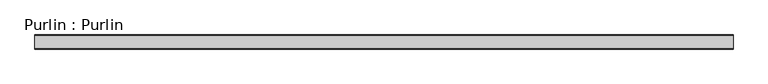
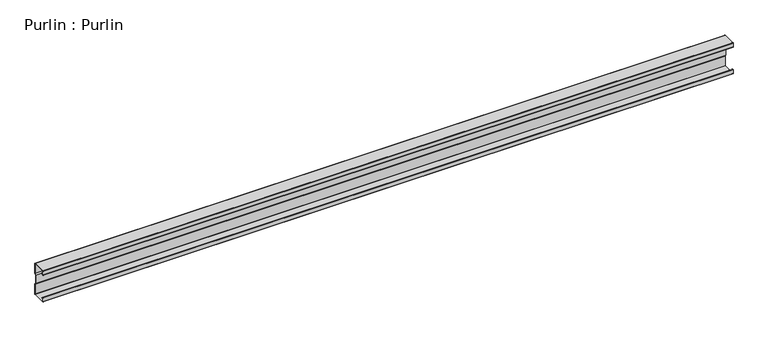
"""IFC4 building model written with IfcOpenShell, lengths in millimetres: beam geometry, Purlin : Purlin."""

from ifc_helpers import new_model, si_unit, point, frame, frame_2d, origin, place, context, project, spatial, polyline, circle_curve, trimmed, segment, composite_curve, outline, extrude, source, transform, mapped, element, save


def purlin_purlin_466a0f04(model_context):
    return source(origin(), model_context, "Body", "SweptSolid", [
        extrude(outline(composite_curve([segment(polyline([(30.5, -75.0), (-30.5, -75.0)]), True, "CONTINUOUS"), segment(trimmed(circle_curve(frame_2d((-30.5, -73.5)), 1.5), [point((-30.5, -75.0))], [point((-32.0, -73.5))], False, "CARTESIAN"), True, "CONTINUOUS"), segment(polyline([(-32.0, -73.5), (-32.0, -55.5689158)]), True, "CONTINUOUS"), segment(trimmed(circle_curve(frame_2d((-30.5, -55.5689158)), 1.5), [point((-32.0, -55.5689158))], [point((-29.6183221, -54.3553903))], False, "CARTESIAN"), True, "CONTINUOUS"), segment(polyline([(-29.6183221, -54.3553903), (-22.7008639, -59.3812179), (-23.2886491, -60.1902349), (-30.2061074, -55.1644073)]), True, "CONTINUOUS"), segment(trimmed(circle_curve(frame_2d((-30.5, -55.5689158)), 0.5), [point((-30.2061074, -55.1644073))], [point((-31.0, -55.5689158))], True, "CARTESIAN"), True, "CONTINUOUS"), segment(polyline([(-31.0, -55.5689158), (-31.0, -73.0)]), True, "CONTINUOUS"), segment(trimmed(circle_curve(frame_2d((-30.0, -73.0)), 1.0), [point((-31.0, -73.0))], [point((-30.0, -74.0))], True, "CARTESIAN"), True, "CONTINUOUS"), segment(polyline([(-30.0, -74.0), (30.0, -74.0)]), True, "CONTINUOUS"), segment(trimmed(circle_curve(frame_2d((30.0, -73.0)), 1.0), [point((30.0, -74.0))], [point((31.0, -73.0))], True, "CARTESIAN"), True, "CONTINUOUS"), segment(polyline([(31.0, -73.0), (31.0, -26.8252474), (25.375, -18.9502474), (25.375, 18.7314974), (31.0, 26.3252474), (31.0, 73.0)]), True, "CONTINUOUS"), segment(trimmed(circle_curve(frame_2d((30.0, 73.0)), 1.0), [point((31.0, 73.0))], [point((30.0, 74.0))], True, "CARTESIAN"), True, "CONTINUOUS"), segment(polyline([(30.0, 74.0), (-30.0, 74.0)]), True, "CONTINUOUS"), segment(trimmed(circle_curve(frame_2d((-30.0, 73.0)), 1.0), [point((-30.0, 74.0))], [point((-31.0, 73.0))], True, "CARTESIAN"), True, "CONTINUOUS"), segment(polyline([(-31.0, 73.0), (-31.0, 55.5689158)]), True, "CONTINUOUS"), segment(trimmed(circle_curve(frame_2d((-30.5, 55.5689158)), 0.5), [point((-31.0, 55.5689158))], [point((-30.2061074, 55.1644073))], True, "CARTESIAN"), True, "CONTINUOUS"), segment(polyline([(-30.2061074, 55.1644073), (-23.2886491, 60.1902349), (-22.7008639, 59.3812179), (-29.6183221, 54.3553903)]), True, "CONTINUOUS"), segment(trimmed(circle_curve(frame_2d((-30.5, 55.5689158)), 1.5), [point((-29.6183221, 54.3553903))], [point((-32.0, 55.5689158))], False, "CARTESIAN"), True, "CONTINUOUS"), segment(polyline([(-32.0, 55.5689158), (-32.0, 73.5)]), True, "CONTINUOUS"), segment(trimmed(circle_curve(frame_2d((-30.5, 73.5)), 1.5), [point((-32.0, 73.5))], [point((-30.5, 75.0))], False, "CARTESIAN"), True, "CONTINUOUS"), segment(polyline([(-30.5, 75.0), (30.5, 75.0)]), True, "CONTINUOUS"), segment(trimmed(circle_curve(frame_2d((30.5, 73.5)), 1.5), [point((30.5, 75.0))], [point((32.0, 73.5))], False, "CARTESIAN"), True, "CONTINUOUS"), segment(polyline([(32.0, 73.5), (32.0, 25.9952176), (26.375, 18.4014676), (26.375, -18.6297824), (32.0, -26.5047824), (32.0, -73.5)]), True, "CONTINUOUS"), segment(trimmed(circle_curve(frame_2d((30.5, -73.5)), 1.5), [point((32.0, -73.5))], [point((30.5, -75.0))], False, "CARTESIAN"), True, "CONTINUOUS")], self_intersect=False)), frame((-1577.4255773, 0.0, 0.0), z_axis=(1.0, 0.0, 0.0), x_axis=(0.0, 1.0, 0.0)), (0.0, 0.0, 1.0), 3154.8511546),
    ])


if __name__ == "__main__":
    model = new_model("IFC4")
    model_context = context("Model", 3, world=origin())
    ifc_project = project(units=[si_unit("LENGTHUNIT", "METRE", prefix="MILLI")], contexts=[model_context])
    site = spatial("IfcSite", under=ifc_project)
    building = spatial("IfcBuilding", under=site)
    placement = place(None, origin())
    purlin_purlin_shape = purlin_purlin_466a0f04(model_context)
    element("IfcBeam", 1, ObjectType="Purlin : Purlin", at=placement, inside=building, context=model_context, shape_type="MappedRepresentation", body=[
        mapped(purlin_purlin_shape, transform((0.0, 0.0, 0.0), x_axis=(1.0, 0.0, 0.0), y_axis=(0.0, 1.0, 0.0), z_axis=(0.0, 0.0, 1.0))),
    ])
    save(model, "model.ifc")
